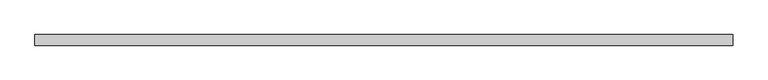
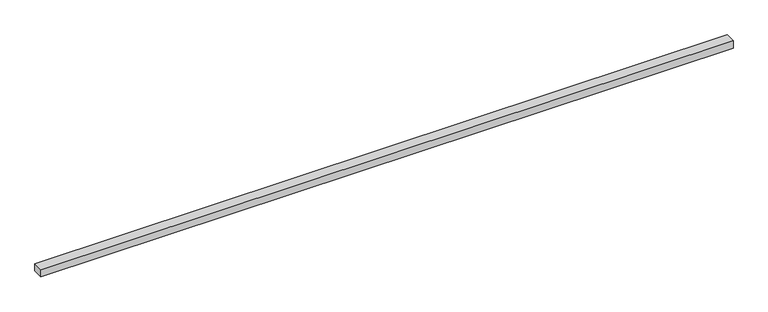
"""IFC4 building model written with IfcOpenShell, lengths in millimetres: beam geometry."""

import ifcopenshell
import ifcopenshell.guid

model = None  # the IFC model being written
_history = None  # IfcOwnerHistory: only IFC2X3 demands one
_inside = {}  # id of a spatial element -> (the spatial element, [elements in it])
_under = {}  # id of a project, library or spatial element -> (it, [spatial elements below it])
_declared = {}  # id of a project -> (the project, [libraries it declares])
_typed = {}  # id of a type object -> (the type object, [elements of that type])
_made_of = {}  # id of a material, layer set ... -> (it, [elements and type objects made of it])


def new_model(schema):
    """Start an empty IFC model of exactly this schema.

    Asked for "IFC4X3", IfcOpenShell would pick the latest addendum, in which some entities
    have other attributes; the version numbers below select the first issue.
    IFC2X3 requires an IfcOwnerHistory on every rooted entity: one is made here for all.
    """
    global model, _history
    if schema == "IFC4X3":
        model = ifcopenshell.file(schema_version=(4, 3, 0, 0))
    else:
        model = ifcopenshell.file(schema=schema)
    _inside.clear()
    _under.clear()
    _declared.clear()
    _typed.clear()
    _made_of.clear()
    _history = None
    if model.schema == "IFC2X3":
        org = make("IfcOrganization", Name="unknown")
        user = make(
            "IfcPersonAndOrganization",
            ThePerson=make("IfcPerson", FamilyName="unknown"),
            TheOrganization=org,
        )
        app = make(
            "IfcApplication",
            ApplicationDeveloper=org,
            Version="unknown",
            ApplicationFullName="unknown",
            ApplicationIdentifier="unknown",
        )
        _history = make(
            "IfcOwnerHistory",
            OwningUser=user,
            OwningApplication=app,
            ChangeAction="ADDED",
            CreationDate=0,
        )
    return model


def make(cls, **values):
    """One entity of the class cls with the attributes given. An attribute that is None is left unset."""
    return model.create_entity(
        cls, **{name: value for name, value in values.items() if value is not None}
    )


def rooted(cls, **values):
    """An entity with a GlobalId (a new one), such as an element, a storey or a relation."""
    return make(cls, GlobalId=ifcopenshell.guid.new(), OwnerHistory=_history, **values)


def si_unit(unit_type, name, prefix=None):
    """IfcSIUnit, for example si_unit("LENGTHUNIT", "METRE", prefix="MILLI")."""
    return make("IfcSIUnit", UnitType=unit_type, Prefix=prefix, Name=name)


def assignment(units):
    """IfcUnitAssignment: the units of a project."""
    return None if units is None else make("IfcUnitAssignment", Units=units)


def point(xyz):
    """IfcCartesianPoint."""
    return None if xyz is None else make("IfcCartesianPoint", Coordinates=xyz)


def direction(xyz):
    """IfcDirection."""
    return None if xyz is None else make("IfcDirection", DirectionRatios=xyz)


def frame(location, z_axis=None, x_axis=None):
    """IfcAxis2Placement3D, a coordinate frame: its origin and axes. An axis left out is left unset."""
    return make(
        "IfcAxis2Placement3D",
        Location=point(location),
        Axis=direction(z_axis),
        RefDirection=direction(x_axis),
    )


def origin():
    """The frame at (0, 0, 0) with its axes left unset."""
    return frame((0.0, 0.0, 0.0))


def place(relative_to, where):
    """IfcLocalPlacement: puts the frame where relative to a parent placement (None: the world)."""
    return make(
        "IfcLocalPlacement", PlacementRelTo=relative_to, RelativePlacement=where
    )


def context(
    kind, dimensions, precision=None, world=None, true_north=None, identifier=None
):
    """IfcGeometricRepresentationContext, for example the 3D "Model" context."""
    return make(
        "IfcGeometricRepresentationContext",
        ContextIdentifier=identifier,
        ContextType=kind,
        CoordinateSpaceDimension=dimensions,
        Precision=precision,
        WorldCoordinateSystem=world,
        TrueNorth=true_north,
    )


def project(units=None, contexts=None):
    """IfcProject with its units and contexts."""
    return rooted(
        "IfcProject",
        Name="project",
        RepresentationContexts=contexts,
        UnitsInContext=assignment(units),
    )


def spatial(cls, under=None, at=None, **own):
    """A site, building, storey or space (cls), placed at a placement, below another one or the project."""
    s = rooted(cls, ObjectPlacement=at, **own)
    if under is not None:
        _under.setdefault(under.id(), (under, []))[1].append(s)
    return s


def polyline(points):
    """IfcPolyline through the points."""
    return make("IfcPolyline", Points=[point(p) for p in points])


def outline(outer, holes=None, kind="AREA"):
    """IfcArbitraryClosedProfileDef: a profile drawn as a closed curve; with holes, ...WithVoids."""
    if holes is None:
        return make("IfcArbitraryClosedProfileDef", ProfileType=kind, OuterCurve=outer)
    return make(
        "IfcArbitraryProfileDefWithVoids",
        ProfileType=kind,
        OuterCurve=outer,
        InnerCurves=holes,
    )


def extrude(swept, where, along, depth):
    """IfcExtrudedAreaSolid: the profile swept, set in the frame where, extruded along a direction by depth."""
    return make(
        "IfcExtrudedAreaSolid",
        SweptArea=swept,
        Position=where,
        ExtrudedDirection=direction(along),
        Depth=depth,
    )


def shape(context_of_items, identifier, shape_type, items):
    """IfcShapeRepresentation: the items that make up one representation, for example the "Body"."""
    return make(
        "IfcShapeRepresentation",
        ContextOfItems=context_of_items,
        RepresentationIdentifier=identifier,
        RepresentationType=shape_type,
        Items=items,
    )


def source(mapping_origin, context_of_items, identifier, shape_type, items):
    """IfcRepresentationMap: a shape defined once, which mapped items show again and again."""
    return make(
        "IfcRepresentationMap",
        MappingOrigin=mapping_origin,
        MappedRepresentation=shape(context_of_items, identifier, shape_type, items),
    )


def transform(
    local_origin,
    x_axis=None,
    y_axis=None,
    z_axis=None,
    scale=None,
    scale2=None,
    scale3=None,
    uniform=True,
):
    """IfcCartesianTransformationOperator3D, or its non-uniform kind. x_axis, y_axis, z_axis: its Axis1, 2, 3."""
    if uniform:
        return make(
            "IfcCartesianTransformationOperator3D",
            Axis1=direction(x_axis),
            Axis2=direction(y_axis),
            LocalOrigin=point(local_origin),
            Scale=scale,
            Axis3=direction(z_axis),
        )
    return make(
        "IfcCartesianTransformationOperator3DnonUniform",
        Axis1=direction(x_axis),
        Axis2=direction(y_axis),
        LocalOrigin=point(local_origin),
        Scale=scale,
        Axis3=direction(z_axis),
        Scale2=scale2,
        Scale3=scale3,
    )


def mapped(mapping_source, mapping_target):
    """IfcMappedItem: shows the shape of a source again, moved by a transform."""
    return make(
        "IfcMappedItem", MappingSource=mapping_source, MappingTarget=mapping_target
    )


def made_of(thing, what):
    """Note that an element or type object is made of a material, layer set ...; save() writes the relation."""
    if what is not None:
        _made_of.setdefault(what.id(), (what, []))[1].append(thing)
    return thing


def element(
    cls,
    number,
    at=None,
    inside=None,
    cuts=None,
    type_object=None,
    material=None,
    context=None,
    identifier="Body",
    shape_type=None,
    held_by="IfcProductDefinitionShape",
    body=None,
    shapes=None,
    **own,
):
    """One element of the class cls, such as IfcWall. Its Tag is "e" and its number.

    at: its placement. inside: the storey or other place that contains it. cuts: it is an
    opening in that element (IfcRelVoidsElement). A single representation is given by context,
    identifier, shape_type and body (its items); several are given by shapes. held_by: the class
    of the entity that holds the representations. save() writes the other relations.
    """
    e = rooted(cls, Tag="e%d" % number, ObjectPlacement=at, **own)
    if body is not None:
        shapes = [shape(context, identifier, shape_type, body)]
    if shapes is not None:
        e.Representation = make(held_by, Representations=shapes)
    if inside is not None:
        _inside.setdefault(inside.id(), (inside, []))[1].append(e)
    if cuts is not None:
        rooted(
            "IfcRelVoidsElement", RelatingBuildingElement=cuts, RelatedOpeningElement=e
        )
    if type_object is not None:
        _typed.setdefault(type_object.id(), (type_object, []))[1].append(e)
    return made_of(e, material)


def aggregate(whole, parts):
    """IfcRelAggregates: a whole, such as a stair, and the parts it consists of."""
    return rooted("IfcRelAggregates", RelatingObject=whole, RelatedObjects=parts)


def save(model, path):
    """Write the relations noted so far, then the file.

    IfcRelAggregates (storeys below a building ...), IfcRelContainedInSpatialStructure (elements
    in a storey), IfcRelDefinesByType, IfcRelAssociatesMaterial and IfcRelDeclares: one each for
    every whole, place, type object, material and project.
    """
    for whole, parts in _under.values():
        aggregate(whole, parts)
    for where, things in _inside.values():
        rooted(
            "IfcRelContainedInSpatialStructure",
            RelatedElements=things,
            RelatingStructure=where,
        )
    for kind, things in _typed.values():
        rooted("IfcRelDefinesByType", RelatedObjects=things, RelatingType=kind)
    for what, things in _made_of.values():
        rooted("IfcRelAssociatesMaterial", RelatedObjects=things, RelatingMaterial=what)
    for by, libraries in _declared.values():
        rooted("IfcRelDeclares", RelatingContext=by, RelatedDefinitions=libraries)
    model.write(path)


def beam_0deeca76(model_context):
    return source(origin(), model_context, "Body", "SweptSolid", [
        extrude(outline(polyline([(1150.0, 17.5), (1150.0, -17.5), (-1150.0, -17.5), (-1150.0, 17.5), (1150.0, 17.5)])), frame((0.0, 0.0, -12.5), z_axis=(0.0, 0.0, 1.0), x_axis=(1.0, 0.0, 0.0)), (0.0, 0.0, 1.0), 25.0),
    ])


if __name__ == "__main__":
    model = new_model("IFC4")
    model_context = context("Model", 3, world=origin())
    ifc_project = project(units=[si_unit("LENGTHUNIT", "METRE", prefix="MILLI")], contexts=[model_context])
    site = spatial("IfcSite", under=ifc_project)
    building = spatial("IfcBuilding", under=site)
    placement = place(None, origin())
    beam_shape = beam_0deeca76(model_context)
    element("IfcBeam", 1, at=placement, inside=building, context=model_context, shape_type="MappedRepresentation", body=[
        mapped(beam_shape, transform((0.0, 0.0, 0.0), x_axis=(1.0, 0.0, 0.0), y_axis=(0.0, 1.0, 0.0), z_axis=(0.0, 0.0, 1.0))),
    ])
    save(model, "model.ifc")
